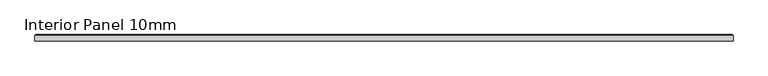
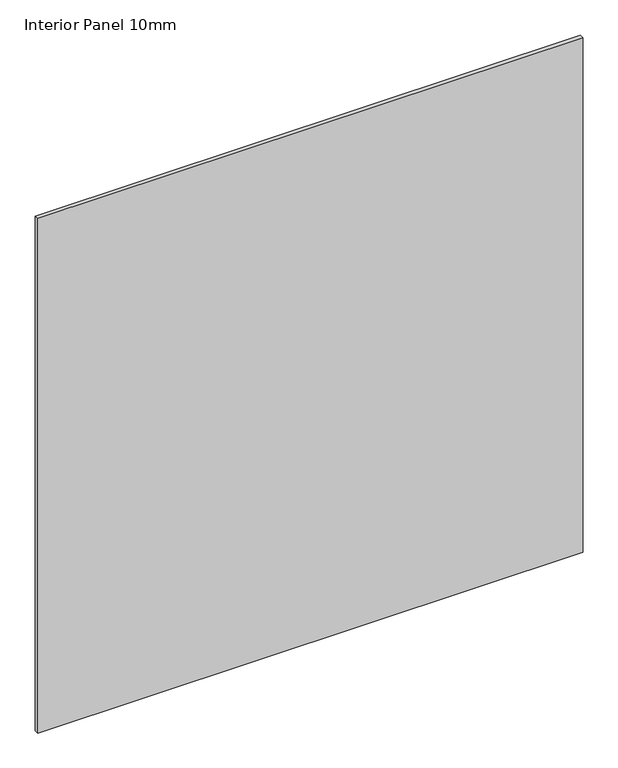
"""IFC4 building model written with IfcOpenShell, lengths in millimetres: proxy geometry, Interior Panel 10mm."""

from ifc_helpers import new_model, si_unit, origin, place, context, project, spatial, faceted_brep, source, transform, mapped, element, save


def interior_panel_10mm_d9ae960d(model_context):
    return source(origin(), model_context, "Body", "Brep", [
        faceted_brep([(993.0804688, -3.175, 1063.625), (993.0804688, 4.7625, 1063.625), (-73.025, 4.7625, 1063.625), (-73.025, -3.175, 1063.625), (993.0804688, -3.175, 0.0), (-73.025, -3.175, 0.0), (-73.025, 4.7625, 0.0), (993.0804688, 4.7625, 0.0), (-71.4375, 6.35, 1062.0375), (991.4929688, 6.35, 1062.0375), (991.4929688, 6.35, 1.5875), (-71.4375, 6.35, 1.5875)], [[[0, 1, 2, 3]], [[4, 5, 6, 7]], [[3, 5, 4, 0]], [[2, 6, 5, 3]], [[8, 9, 10, 11]], [[0, 4, 7, 1]], [[2, 8, 11, 6]], [[7, 10, 9, 1]], [[1, 9, 8, 2]], [[6, 11, 10, 7]]]),
    ])


if __name__ == "__main__":
    model = new_model("IFC4")
    model_context = context("Model", 3, world=origin())
    ifc_project = project(units=[si_unit("LENGTHUNIT", "METRE", prefix="MILLI")], contexts=[model_context])
    site = spatial("IfcSite", under=ifc_project)
    building = spatial("IfcBuilding", under=site)
    placement = place(None, origin())
    interior_panel_10mm_shape = interior_panel_10mm_d9ae960d(model_context)
    element("IfcBuildingElementProxy", 1, Name="Interior Panel 10mm", ObjectType="Interior Panel 10mm", at=placement, inside=building, context=model_context, shape_type="MappedRepresentation", body=[
        mapped(interior_panel_10mm_shape, transform((0.0, 0.0, 0.0), x_axis=(1.0, 0.0, 0.0), y_axis=(0.0, 1.0, 0.0), z_axis=(0.0, 0.0, 1.0))),
    ])
    save(model, "model.ifc")
